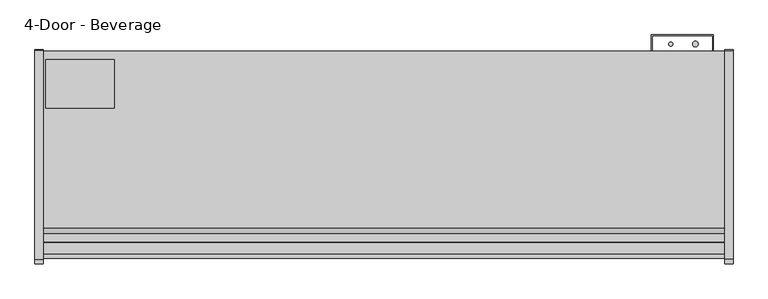
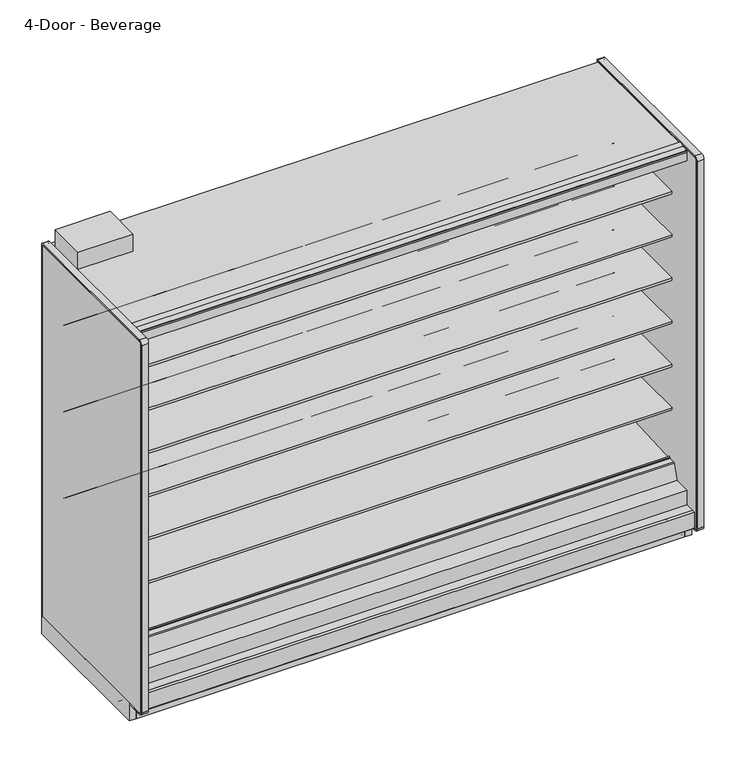
"""IFC4 building model written with IfcOpenShell, lengths in millimetres: proxy geometry, 4-Door - Beverage."""

from ifc_helpers import new_model, si_unit, point, frame, frame_2d, origin, origin_with_axes, place, context, project, spatial, polyline, circle_curve, trimmed, segment, composite_curve, outline, extrude, source, transform, mapped, element, save
from ifc_brep_helpers import plane_surface, cylinder_surface, revolved_surface, advanced_brep


def proxy_4_door_beverage_5c7ffe75(model_context):
    return source(origin(), model_context, "Body", "SolidModel", [
        extrude(outline(polyline([(3048.0, -1167.5349267), (3048.0, -1183.4099267), (0.0, -1183.4099267), (0.0, -1167.5349267), (3048.0, -1167.5349267)])), origin_with_axes(), (0.0, 0.0, 1.0), 105.16235),
        extrude(outline(polyline([(315.9000882, -386.7007273), (315.9000882, -605.1295388), (11.1115648, -605.1295388), (11.1115648, -386.7007273), (315.9000882, -386.7007273)])), frame((0.0, 0.0, 2282.825), z_axis=(0.0, 0.0, 1.0), x_axis=(1.0, 0.0, 0.0)), (0.0, 0.0, 1.0), 101.6),
        extrude(outline(composite_curve([segment(trimmed(circle_curve(frame_2d((2917.1930803, -317.2571273)), 12.7), [point((2904.4930803, -317.2571273))], [point((2929.8930803, -317.2571273))], False, "CARTESIAN"), True, "CONTINUOUS"), segment(trimmed(circle_curve(frame_2d((2917.1930803, -317.2571273)), 12.7), [point((2929.8930803, -317.2571273))], [point((2904.4930803, -317.2571273))], False, "CARTESIAN"), True, "CONTINUOUS")], self_intersect=False)), frame((0.0, 0.0, 1447.6965458), z_axis=(0.0, 0.0, 1.0), x_axis=(1.0, 0.0, 0.0)), (0.0, 0.0, 1.0), 508.0),
        extrude(outline(composite_curve([segment(trimmed(circle_curve(frame_2d((2807.2004524, -317.2571273)), 9.525), [point((2797.6754524, -317.2571273))], [point((2816.7254524, -317.2571273))], False, "CARTESIAN"), True, "CONTINUOUS"), segment(trimmed(circle_curve(frame_2d((2807.2004524, -317.2571273)), 9.525), [point((2816.7254524, -317.2571273))], [point((2797.6754524, -317.2571273))], False, "CARTESIAN"), True, "CONTINUOUS")], self_intersect=False)), frame((0.0, 0.0, 1447.6965458), z_axis=(0.0, 0.0, 1.0), x_axis=(1.0, 0.0, 0.0)), (0.0, 0.0, 1.0), 508.0),
        extrude(outline(composite_curve([segment(trimmed(circle_curve(frame_2d((2908.8004524, -526.8071273)), 9.525), [point((2899.2754524, -526.8071273))], [point((2918.3254524, -526.8071273))], False, "CARTESIAN"), True, "CONTINUOUS"), segment(trimmed(circle_curve(frame_2d((2908.8004524, -526.8071273)), 9.525), [point((2918.3254524, -526.8071273))], [point((2899.2754524, -526.8071273))], False, "CARTESIAN"), True, "CONTINUOUS")], self_intersect=False)), frame((0.0, 0.0, 57.8450688), z_axis=(0.0, 0.0, 1.0), x_axis=(1.0, 0.0, 0.0)), (0.0, 0.0, 1.0), 47.3172812),
        extrude(outline(composite_curve([segment(trimmed(circle_curve(frame_2d((2955.2930803, -526.8071273)), 12.7), [point((2942.5930803, -526.8071273))], [point((2967.9930803, -526.8071273))], False, "CARTESIAN"), True, "CONTINUOUS"), segment(trimmed(circle_curve(frame_2d((2955.2930803, -526.8071273)), 12.7), [point((2967.9930803, -526.8071273))], [point((2942.5930803, -526.8071273))], False, "CARTESIAN"), True, "CONTINUOUS")], self_intersect=False)), frame((0.0, 0.0, 57.8450688), z_axis=(0.0, 0.0, 1.0), x_axis=(1.0, 0.0, 0.0)), (0.0, 0.0, 1.0), 47.3172812),
        extrude(outline(composite_curve([segment(trimmed(circle_curve(frame_2d((1524.0, -945.9071273)), 38.1), [point((1485.9, -945.9071273))], [point((1562.1, -945.9071273))], False, "CARTESIAN"), True, "CONTINUOUS"), segment(trimmed(circle_curve(frame_2d((1524.0, -945.9071273)), 38.1), [point((1562.1, -945.9071273))], [point((1485.9, -945.9071273))], False, "CARTESIAN"), True, "CONTINUOUS")], self_intersect=False)), frame((0.0, 0.0, 57.8450688), z_axis=(0.0, 0.0, 1.0), x_axis=(1.0, 0.0, 0.0)), (0.0, 0.0, 1.0), 47.3172812),
        extrude(outline(polyline([(114.3, -411.7999572), (114.3, -462.5999572), (0.0, -462.5999572), (0.0, -411.7999572), (114.3, -411.7999572)])), frame((0.0, 0.0, 63.88735), z_axis=(0.0, 0.0, 1.0), x_axis=(1.0, 0.0, 0.0)), (0.0, 0.0, 1.0), 6.35),
        extrude(outline(polyline([(-349.0071273, 2231.5678), (-349.0071273, 105.16235), (-1256.6126273, 105.16235), (-1256.6126273, 201.2447768), (-1205.5205047, 201.2447768), (-1205.5205047, 169.3369447), (-1112.6665508, 150.0632248), (-401.0517273, 187.3573774), (-401.0517273, 2231.5678), (-349.0071273, 2231.5678)])), frame((0.0, 0.0, 0.0), z_axis=(1.0, 0.0, 0.0), x_axis=(0.0, 1.0, 0.0)), (0.0, 0.0, 1.0), 3048.0),
        advanced_brep(
        [(3048.0, -1018.871097, 105.16235), (3048.0, -1022.1071273, 101.9263197), (3048.0, -1022.1071273, 2.3876), (3048.0, -1019.7195273, 0.0), (3048.0, -982.0132273, 0.0), (3048.0, -982.0132273, 70.23735), (3048.0, -383.2457368, 70.23735), (3048.0, -383.2457368, 0.0), (3048.0, -351.3947273, 0.0), (3048.0, -349.0071273, 2.3876), (3048.0, -349.0071273, 100.830191), (3048.0, -353.3392863, 105.16235), (0.0, -1018.871097, 105.16235), (0.0, -353.3392863, 105.16235), (0.0, -349.0071273, 100.830191), (0.0, -349.0071273, 2.3876), (0.0, -351.3947273, 0.0), (0.0, -383.2457368, 0.0), (0.0, -383.2457368, 70.23735), (0.0, -982.0132273, 70.23735), (0.0, -982.0132273, 0.0), (0.0, -1019.7195273, 0.0), (0.0, -1022.1071273, 2.3876), (0.0, -1022.1071273, 101.9263197), (1574.8, -945.9071273, 105.16235), (1473.2, -945.9071273, 105.16235), (2984.5, -526.8071273, 105.16235), (2882.9, -526.8071273, 105.16235), (1488.2650095, -982.0132273, 70.23735), (1559.7349905, -982.0132273, 70.23735), (1574.8, -945.9071273, 70.23735), (1473.2, -945.9071273, 70.23735), (2882.9, -526.8071273, 70.23735), (2984.5, -526.8071273, 70.23735)],
        [
            (0, 1, circle_curve(frame((3048.0, -1018.871097, 101.9263197), z_axis=(1.0, 0.0, 0.0), x_axis=(0.0, 1.0, 0.0)), 3.2360303)),
            (1, 2),
            (2, 3, circle_curve(frame((3048.0, -1019.7195273, 2.3876), z_axis=(1.0, 0.0, 0.0), x_axis=(0.0, 1.0, 0.0)), 2.3876)),
            (3, 4),
            (4, 5),
            (5, 6),
            (6, 7),
            (7, 8),
            (8, 9, circle_curve(frame((3048.0, -351.3947273, 2.3876), z_axis=(1.0, 0.0, 0.0), x_axis=(0.0, 1.0, 0.0)), 2.3876)),
            (9, 10),
            (10, 11, circle_curve(frame((3048.0, -353.3392863, 100.830191), z_axis=(1.0, 0.0, 0.0), x_axis=(0.0, 1.0, 0.0)), 4.332159)),
            (11, 0),
            (12, 13),
            (13, 14, circle_curve(frame((0.0, -353.3392863, 100.830191), z_axis=(-1.0, 0.0, 0.0), x_axis=(0.0, 1.0, 0.0)), 4.332159)),
            (14, 15),
            (15, 16, circle_curve(frame((0.0, -351.3947273, 2.3876), z_axis=(-1.0, 0.0, 0.0), x_axis=(0.0, 1.0, 0.0)), 2.3876)),
            (16, 17),
            (17, 18),
            (18, 19),
            (19, 20),
            (20, 21),
            (21, 22, circle_curve(frame((0.0, -1019.7195273, 2.3876), z_axis=(-1.0, 0.0, 0.0), x_axis=(0.0, 1.0, 0.0)), 2.3876)),
            (22, 23),
            (23, 12, circle_curve(frame((0.0, -1018.871097, 101.9263197), z_axis=(-1.0, 0.0, 0.0), x_axis=(0.0, 1.0, 0.0)), 3.2360303)),
            (10, 14),
            (13, 11),
            (12, 0),
            (24, 25, circle_curve(frame((1524.0, -945.9071273, 105.16235), z_axis=(0.0, 0.0, -1.0), x_axis=(1.0, 0.0, 0.0)), 50.8)),
            (25, 24, circle_curve(frame((1524.0, -945.9071273, 105.16235), z_axis=(0.0, 0.0, -1.0), x_axis=(1.0, 0.0, 0.0)), 50.8)),
            (26, 27, circle_curve(frame((2933.7, -526.8071273, 105.16235), z_axis=(0.0, 0.0, -1.0), x_axis=(1.0, 0.0, 0.0)), 50.8)),
            (27, 26, circle_curve(frame((2933.7, -526.8071273, 105.16235), z_axis=(0.0, 0.0, -1.0), x_axis=(1.0, 0.0, 0.0)), 50.8)),
            (23, 1),
            (22, 2),
            (21, 3),
            (20, 4),
            (19, 28),
            (28, 29),
            (29, 5),
            (29, 30, circle_curve(frame((1524.0, -945.9071273, 70.23735), z_axis=(0.0, 0.0, 1.0), x_axis=(1.0, 0.0, 0.0)), 50.8)),
            (30, 31, circle_curve(frame((1524.0, -945.9071273, 70.23735), z_axis=(0.0, 0.0, 1.0), x_axis=(1.0, 0.0, 0.0)), 50.8)),
            (31, 28, circle_curve(frame((1524.0, -945.9071273, 70.23735), z_axis=(0.0, 0.0, 1.0), x_axis=(1.0, 0.0, 0.0)), 50.8)),
            (18, 6),
            (32, 33, circle_curve(frame((2933.7, -526.8071273, 70.23735), z_axis=(0.0, 0.0, 1.0), x_axis=(1.0, 0.0, 0.0)), 50.8)),
            (33, 32, circle_curve(frame((2933.7, -526.8071273, 70.23735), z_axis=(0.0, 0.0, 1.0), x_axis=(1.0, 0.0, 0.0)), 50.8)),
            (17, 7),
            (16, 8),
            (15, 9),
            (28, 29, circle_curve(frame((1524.0, -945.9071273, 70.23735), z_axis=(0.0, 0.0, 1.0), x_axis=(1.0, 0.0, 0.0)), 50.8)),
            (24, 30),
            (31, 25),
            (32, 27),
            (26, 33),
        ],
        [
            plane_surface(frame((3048.0, -1015.6350667, 101.9263197), z_axis=(1.0, 0.0, 0.0), x_axis=(0.0, 0.0, 1.0))),
            plane_surface(frame((0.0, -1015.6350667, 101.9263197), z_axis=(-1.0, 0.0, 0.0), x_axis=(0.0, 0.0, -1.0))),
            cylinder_surface(frame((0.0, -353.3392863, 100.830191), z_axis=(1.0, 0.0, 0.0), x_axis=(0.0, 1.0, 0.0)), 4.332159),
            plane_surface(frame((3048.0, -353.3392863, 105.16235), z_axis=(0.0, 0.0, 1.0), x_axis=(-1.0, 0.0, 0.0))),
            cylinder_surface(frame((0.0, -1018.871097, 101.9263197), z_axis=(1.0, 0.0, 0.0), x_axis=(0.0, 1.0, 0.0)), 3.2360303),
            plane_surface(frame((3048.0, -1022.1071273, 101.9263197), z_axis=(0.0, -1.0, 0.0), x_axis=(-1.0, 0.0, 0.0))),
            cylinder_surface(frame((0.0, -1019.7195273, 2.3876), z_axis=(1.0, 0.0, 0.0), x_axis=(0.0, 1.0, 0.0)), 2.3876),
            plane_surface(frame((3048.0, -1019.7195273, 0.0), z_axis=(0.0, 0.0, -1.0), x_axis=(-1.0, 0.0, 0.0))),
            plane_surface(frame((3048.0, -982.0132273, 0.0), z_axis=(0.0, 1.0, 0.0), x_axis=(-1.0, 0.0, 0.0))),
            plane_surface(frame((3048.0, -982.0132273, 70.23735), z_axis=(0.0, 0.0, -1.0), x_axis=(-1.0, 0.0, 0.0))),
            plane_surface(frame((3048.0, -383.2457368, 70.23735), z_axis=(0.0, -1.0, 0.0), x_axis=(-1.0, 0.0, 0.0))),
            plane_surface(frame((3048.0, -383.2457368, 0.0), z_axis=(0.0, 0.0, -1.0), x_axis=(-1.0, 0.0, 0.0))),
            cylinder_surface(frame((0.0, -351.3947273, 2.3876), z_axis=(1.0, 0.0, 0.0), x_axis=(0.0, 1.0, 0.0)), 2.3876),
            plane_surface(frame((1574.8, -945.9071273, 70.23735), z_axis=(0.0, 0.0, 1.0), x_axis=(0.0, -1.0, 0.0))),
            revolved_surface(polyline([(1574.8, -945.9071273, 105.16235), (1574.8, -945.9071273, 70.23735)]), (1524.0, -945.9071273, 70.23735), (0.0, 0.0, 1.0)),
            revolved_surface(polyline([(2984.5, -526.8071273, 105.16235), (2984.5, -526.8071273, 70.23735)]), (2933.7, -526.8071273, 0.0), (0.0, 0.0, 1.0)),
            plane_surface(frame((3048.0, -349.0071273, 2.3876), z_axis=(0.0, 1.0, 0.0), x_axis=(-1.0, 0.0, 0.0))),
        ],
        [
            (0, [[1, 2, 3, 4, 5, 6, 7, 8, 9, 10, 11, 12]]),
            (1, [[13, 14, 15, 16, 17, 18, 19, 20, 21, 22, 23, 24]]),
            (2, [[-11, 25, -14, 26]]),
            (3, [[-12, -26, -13, 27], [28, 29], [30, 31]]),
            (4, [[-1, -27, -24, 32]]),
            (5, [[-2, -32, -23, 33]]),
            (6, [[-3, -33, -22, 34]]),
            (7, [[-4, -34, -21, 35]]),
            (8, [[-5, -35, -20, 36, 37, 38]]),
            (9, [[-6, -38, 39, 40, 41, -36, -19, 42], [43, 44]]),
            (10, [[-7, -42, -18, 45]]),
            (11, [[-8, -45, -17, 46]]),
            (12, [[-9, -46, -16, 47]]),
            (13, [[48, -37]]),
            (14, [[49, -39, -48, -41, 50, -28]]),
            (14, [[-49, -29, -50, -40]]),
            (15, [[51, -30, 52, -43]]),
            (15, [[-51, -44, -52, -31]]),
            (16, [[-10, -47, -15, -25]]),
        ],
    ),
        extrude(outline(polyline([(2720.975, -349.0071273), (2720.975, -275.9821273), (2997.2, -275.9821273), (2997.2, -349.0071273), (2994.025, -349.0071273), (2994.025, -279.1571273), (2724.15, -279.1571273), (2724.15, -349.0071273), (2720.975, -349.0071273)])), frame((0.0, 0.0, 304.927), z_axis=(0.0, 0.0, 1.0), x_axis=(1.0, 0.0, 0.0)), (0.0, 0.0, 1.0), 1523.3666145),
        extrude(outline(composite_curve([segment(polyline([(-452.3089273, 610.906076), (-470.5727913, 610.5955195)]), True, "CONTINUOUS"), segment(trimmed(circle_curve(frame_2d((-471.0046274, 635.9918483)), 25.4), [point((-470.5727913, 610.5955195))], [point((-486.9819836, 616.2463656))], False, "CARTESIAN"), True, "CONTINUOUS"), segment(polyline([(-486.9819836, 616.2463656), (-504.8340447, 630.6916311)]), True, "CONTINUOUS"), segment(trimmed(circle_curve(frame_2d((-544.7774354, 581.3279244)), 63.5), [point((-504.8340447, 630.6916311))], [point((-536.8795542, 644.3348563))], True, "CARTESIAN"), True, "CONTINUOUS"), segment(polyline([(-536.8795542, 644.3348563), (-751.3282218, 668.0319937), (-752.8169983, 671.4725458), (-1061.9089273, 671.4725458), (-1061.9089273, 685.6965458), (-452.3089273, 685.6965458), (-452.3089273, 610.906076)]), True, "CONTINUOUS")], self_intersect=False)), frame((0.0, 0.0, 0.0), z_axis=(1.0, 0.0, 0.0), x_axis=(0.0, 1.0, 0.0)), (0.0, 0.0, 1.0), 3048.0),
        extrude(outline(composite_curve([segment(polyline([(-452.3089273, 864.906076), (-470.5727913, 864.5955195)]), True, "CONTINUOUS"), segment(trimmed(circle_curve(frame_2d((-471.0046274, 889.9918483)), 25.4), [point((-470.5727913, 864.5955195))], [point((-486.9819836, 870.2463656))], False, "CARTESIAN"), True, "CONTINUOUS"), segment(polyline([(-486.9819836, 870.2463656), (-504.8340447, 884.6916311)]), True, "CONTINUOUS"), segment(trimmed(circle_curve(frame_2d((-544.7774354, 835.3279244)), 63.5), [point((-504.8340447, 884.6916311))], [point((-536.8795542, 898.3348563))], True, "CARTESIAN"), True, "CONTINUOUS"), segment(polyline([(-536.8795542, 898.3348563), (-751.3282218, 922.0319937), (-752.8169983, 925.4725458), (-1061.9089273, 925.4725458), (-1061.9089273, 939.6965458), (-452.3089273, 939.6965458), (-452.3089273, 864.906076)]), True, "CONTINUOUS")], self_intersect=False)), frame((0.0, 0.0, 0.0), z_axis=(1.0, 0.0, 0.0), x_axis=(0.0, 1.0, 0.0)), (0.0, 0.0, 1.0), 3048.0),
        extrude(outline(composite_curve([segment(polyline([(-452.3089273, 1118.906076), (-470.5727913, 1118.5955195)]), True, "CONTINUOUS"), segment(trimmed(circle_curve(frame_2d((-471.0046274, 1143.9918483)), 25.4), [point((-470.5727913, 1118.5955195))], [point((-486.9819836, 1124.2463656))], False, "CARTESIAN"), True, "CONTINUOUS"), segment(polyline([(-486.9819836, 1124.2463656), (-504.8340447, 1138.6916311)]), True, "CONTINUOUS"), segment(trimmed(circle_curve(frame_2d((-544.7774354, 1089.3279244)), 63.5), [point((-504.8340447, 1138.6916311))], [point((-536.8795542, 1152.3348563))], True, "CARTESIAN"), True, "CONTINUOUS"), segment(polyline([(-536.8795542, 1152.3348563), (-751.3282218, 1176.0319937), (-752.8169983, 1179.4725458), (-1061.9089273, 1179.4725458), (-1061.9089273, 1193.6965458), (-452.3089273, 1193.6965458), (-452.3089273, 1118.906076)]), True, "CONTINUOUS")], self_intersect=False)), frame((0.0, 0.0, 0.0), z_axis=(1.0, 0.0, 0.0), x_axis=(0.0, 1.0, 0.0)), (0.0, 0.0, 1.0), 3048.0),
        extrude(outline(composite_curve([segment(polyline([(-452.3089273, 1372.906076), (-470.5727913, 1372.5955195)]), True, "CONTINUOUS"), segment(trimmed(circle_curve(frame_2d((-471.0046274, 1397.9918483)), 25.4), [point((-470.5727913, 1372.5955195))], [point((-486.9819836, 1378.2463656))], False, "CARTESIAN"), True, "CONTINUOUS"), segment(polyline([(-486.9819836, 1378.2463656), (-504.8340447, 1392.6916311)]), True, "CONTINUOUS"), segment(trimmed(circle_curve(frame_2d((-544.7774354, 1343.3279244)), 63.5), [point((-504.8340447, 1392.6916311))], [point((-536.8795542, 1406.3348563))], True, "CARTESIAN"), True, "CONTINUOUS"), segment(polyline([(-536.8795542, 1406.3348563), (-751.3282218, 1430.0319937), (-752.8169983, 1433.4725458), (-1061.9089273, 1433.4725458), (-1061.9089273, 1447.6965458), (-452.3089273, 1447.6965458), (-452.3089273, 1372.906076)]), True, "CONTINUOUS")], self_intersect=False)), frame((0.0, 0.0, 0.0), z_axis=(1.0, 0.0, 0.0), x_axis=(0.0, 1.0, 0.0)), (0.0, 0.0, 1.0), 3048.0),
        extrude(outline(composite_curve([segment(polyline([(-452.3089273, 1626.906076), (-470.5727913, 1626.5955195)]), True, "CONTINUOUS"), segment(trimmed(circle_curve(frame_2d((-471.0046274, 1651.9918483)), 25.4), [point((-470.5727913, 1626.5955195))], [point((-486.9819836, 1632.2463656))], False, "CARTESIAN"), True, "CONTINUOUS"), segment(polyline([(-486.9819836, 1632.2463656), (-504.8340447, 1646.6916311)]), True, "CONTINUOUS"), segment(trimmed(circle_curve(frame_2d((-544.7774354, 1597.3279244)), 63.5), [point((-504.8340447, 1646.6916311))], [point((-536.8795542, 1660.3348563))], True, "CARTESIAN"), True, "CONTINUOUS"), segment(polyline([(-536.8795542, 1660.3348563), (-751.3282218, 1684.0319937), (-752.8169983, 1687.4725458), (-1061.9089273, 1687.4725458), (-1061.9089273, 1701.6965458), (-452.3089273, 1701.6965458), (-452.3089273, 1626.906076)]), True, "CONTINUOUS")], self_intersect=False)), frame((0.0, 0.0, 0.0), z_axis=(1.0, 0.0, 0.0), x_axis=(0.0, 1.0, 0.0)), (0.0, 0.0, 1.0), 3048.0),
        extrude(outline(composite_curve([segment(polyline([(-452.3089273, 1880.906076), (-470.5727913, 1880.5955195)]), True, "CONTINUOUS"), segment(trimmed(circle_curve(frame_2d((-471.0046274, 1905.9918483)), 25.4), [point((-470.5727913, 1880.5955195))], [point((-486.9819836, 1886.2463656))], False, "CARTESIAN"), True, "CONTINUOUS"), segment(polyline([(-486.9819836, 1886.2463656), (-504.8340447, 1900.6916311)]), True, "CONTINUOUS"), segment(trimmed(circle_curve(frame_2d((-544.7774354, 1851.3279244)), 63.5), [point((-504.8340447, 1900.6916311))], [point((-536.8795542, 1914.3348563))], True, "CARTESIAN"), True, "CONTINUOUS"), segment(polyline([(-536.8795542, 1914.3348563), (-751.3282218, 1938.0319937), (-752.8169983, 1941.4725458), (-1061.9089273, 1941.4725458), (-1061.9089273, 1955.6965458), (-452.3089273, 1955.6965458), (-452.3089273, 1880.906076)]), True, "CONTINUOUS")], self_intersect=False)), frame((0.0, 0.0, 0.0), z_axis=(1.0, 0.0, 0.0), x_axis=(0.0, 1.0, 0.0)), (0.0, 0.0, 1.0), 3048.0),
        advanced_brep(
        [(3048.0, -562.1054156, 392.489408), (3048.0, -565.4345004, 395.3833373), (3048.0, -1028.1778581, 371.1319845), (3048.0, -1031.8816746, 374.3516629), (3048.0, -1032.3723429, 379.9600263), (3048.0, -1039.3602618, 380.0840123), (3048.0, -1037.6796074, 360.8740328), (3048.0, -1031.0214377, 355.0861739), (3048.0, -564.4043684, 379.5405382), (3048.0, -561.4040704, 382.9438378), (0.0, -562.1054156, 392.489408), (0.0, -561.4040704, 382.9438378), (0.0, -564.4043684, 379.5405382), (0.0, -1031.0214377, 355.0861739), (0.0, -1037.6796074, 360.8740328), (0.0, -1039.3602618, 380.0840123), (0.0, -1032.4336802, 379.95466), (0.0, -1031.8816746, 374.3516629), (0.0, -1028.1778581, 371.1319845), (0.0, -565.4345004, 395.3833373)],
        [
            (0, 1, circle_curve(frame((3048.0, -565.2683338, 392.2126885), z_axis=(1.0, 0.0, 0.0), x_axis=(0.0, 1.0, 0.0)), 3.175)),
            (1, 2),
            (2, 3, circle_curve(frame((3048.0, -1028.362729, 374.6595308), z_axis=(-1.0, 0.0, 0.0), x_axis=(0.0, 1.0, 0.0)), 3.5323874)),
            (3, 4),
            (4, 5, circle_curve(frame((3048.0, -1035.9038485, 379.6510595), z_axis=(1.0, 0.0, 0.0), x_axis=(0.0, 1.0, 0.0)), 3.4834238)),
            (5, 6),
            (6, 7, circle_curve(frame((3048.0, -1031.353771, 361.4274714), z_axis=(1.0, 0.0, 0.0), x_axis=(0.0, 1.0, 0.0)), 6.35)),
            (7, 8),
            (8, 9, circle_curve(frame((3048.0, -564.5705351, 382.711187), z_axis=(1.0, 0.0, 0.0), x_axis=(0.0, 1.0, 0.0)), 3.175)),
            (9, 0),
            (10, 11),
            (11, 12, circle_curve(frame((0.0, -564.5705351, 382.711187), z_axis=(-1.0, 0.0, 0.0), x_axis=(0.0, 1.0, 0.0)), 3.175)),
            (12, 13),
            (13, 14, circle_curve(frame((0.0, -1031.353771, 361.4274714), z_axis=(-1.0, 0.0, 0.0), x_axis=(0.0, 1.0, 0.0)), 6.35)),
            (14, 15),
            (15, 16, circle_curve(frame((0.0, -1035.9038485, 379.6510595), z_axis=(-1.0, 0.0, 0.0), x_axis=(0.0, 1.0, 0.0)), 3.4834238)),
            (16, 17),
            (17, 18, circle_curve(frame((0.0, -1028.362729, 374.6595308), z_axis=(1.0, 0.0, 0.0), x_axis=(0.0, 1.0, 0.0)), 3.5323874)),
            (18, 19),
            (19, 10, circle_curve(frame((0.0, -565.2683338, 392.2126885), z_axis=(-1.0, 0.0, 0.0), x_axis=(0.0, 1.0, 0.0)), 3.175)),
            (0, 10),
            (19, 1),
            (18, 2),
            (17, 3),
            (16, 4),
            (15, 5),
            (14, 6),
            (13, 7),
            (12, 8),
            (11, 9),
        ],
        [
            plane_surface(frame((3048.0, -562.0933338, 392.2126885), z_axis=(1.0, 0.0, 0.0), x_axis=(0.0, 0.0, 1.0))),
            plane_surface(frame((0.0, -562.0933338, 392.2126885), z_axis=(-1.0, 0.0, 0.0), x_axis=(0.0, 0.0, -1.0))),
            cylinder_surface(frame((0.0, -565.2683338, 392.2126885), z_axis=(1.0, 0.0, 0.0), x_axis=(0.0, 1.0, 0.0)), 3.175),
            plane_surface(frame((3048.0, -565.4345004, 395.3833373), z_axis=(0.0, -0.05233595857633936, 0.9986295346322859), x_axis=(-1.0, 0.0, 0.0))),
            revolved_surface(polyline([(0.0, -1024.8303415999999, 374.6595308), (3048.0, -1024.8303415999999, 374.6595308)]), (0.0, -1028.362729, 374.6595308), (-1.0, 0.0, 0.0)),
            plane_surface(frame((3048.0, -1031.8816746, 374.3516629), z_axis=(0.0, 0.9961946955698885, 0.08715577157261226), x_axis=(-1.0, 0.0, 0.0))),
            cylinder_surface(frame((0.0, -1035.9038485, 379.6510595), z_axis=(1.0, 0.0, 0.0), x_axis=(0.0, 1.0, 0.0)), 3.4834238),
            plane_surface(frame((3048.0, -1039.3602618, 380.0840123), z_axis=(0.0, -0.9961947025639891, -0.08715569162966595), x_axis=(-1.0, 0.0, 0.0))),
            cylinder_surface(frame((0.0, -1031.353771, 361.4274714), z_axis=(1.0, 0.0, 0.0), x_axis=(0.0, 1.0, 0.0)), 6.35),
            plane_surface(frame((3048.0, -1031.0214377, 355.0861739), z_axis=(0.0, 0.05233595624300962, -0.9986295347545704), x_axis=(-1.0, 0.0, 0.0))),
            cylinder_surface(frame((0.0, -564.5705351, 382.711187), z_axis=(1.0, 0.0, 0.0), x_axis=(0.0, 1.0, 0.0)), 3.175),
            plane_surface(frame((3048.0, -561.4040704, 382.9438378), z_axis=(0.0, 0.9973117114183065, 0.07327585050948633), x_axis=(-1.0, 0.0, 0.0))),
        ],
        [
            (0, [[1, 2, 3, 4, 5, 6, 7, 8, 9, 10]]),
            (1, [[11, 12, 13, 14, 15, 16, 17, 18, 19, 20]]),
            (2, [[-1, 21, -20, 22]]),
            (3, [[-2, -22, -19, 23]]),
            (4, [[-3, -23, -18, 24]]),
            (5, [[-4, -24, -17, 25]]),
            (6, [[-5, -25, -16, 26]]),
            (7, [[-6, -26, -15, 27]]),
            (8, [[-7, -27, -14, 28]]),
            (9, [[-8, -28, -13, 29]]),
            (10, [[-9, -29, -12, 30]]),
            (11, [[-10, -30, -11, -21]]),
        ],
    ),
        extrude(outline(composite_curve([segment(polyline([(-452.3089273, 2205.7106), (-1055.5314174, 2205.7106), (-1076.6649541, 2210.5896614), (-1079.1443307, 2198.9251118)]), True, "CONTINUOUS"), segment(trimmed(circle_curve(frame_2d((-1080.6350276, 2199.2419692)), 1.524), [point((-1079.1443307, 2198.9251118))], [point((-1080.9518851, 2197.7512722))], False, "CARTESIAN"), True, "CONTINUOUS"), segment(polyline([(-1080.9518851, 2197.7512722), (-1146.9989273, 2211.7900045), (-1146.9989273, 2210.4040825)]), True, "CONTINUOUS"), segment(trimmed(circle_curve(frame_2d((-1149.3773588, 2210.6131219)), 2.3876), [point((-1146.9989273, 2210.4040825))], [point((-1149.3773097, 2208.2255219))], False, "CARTESIAN"), True, "CONTINUOUS"), segment(polyline([(-1149.3773097, 2208.2255219), (-1160.0080838, 2208.2253035), (-1160.0080838, 2223.5012119), (-1205.5205273, 2223.5012119), (-1205.5205273, 2282.0376)]), True, "CONTINUOUS"), segment(trimmed(circle_curve(frame_2d((-1204.7331273, 2282.0376)), 0.7874), [point((-1205.5205273, 2282.0376))], [point((-1204.7331273, 2282.825))], False, "CARTESIAN"), True, "CONTINUOUS"), segment(polyline([(-1204.7331273, 2282.825), (-349.0071273, 2282.825), (-349.0071273, 2231.5678), (-452.3089273, 2231.5678), (-452.3089273, 2205.7106)]), True, "CONTINUOUS")], self_intersect=False)), frame((0.0, 0.0, 0.0), z_axis=(1.0, 0.0, 0.0), x_axis=(0.0, 1.0, 0.0)), (0.0, 0.0, 1.0), 3048.0),
        extrude(outline(composite_curve([segment(polyline([(-1263.5976273, 105.16235), (-1274.6466273, 105.16235)]), True, "CONTINUOUS"), segment(trimmed(circle_curve(frame_2d((-1274.6466273, 106.81335)), 1.651), [point((-1274.6466273, 105.16235))], [point((-1276.2976273, 106.81335))], False, "CARTESIAN"), True, "CONTINUOUS"), segment(polyline([(-1276.2976273, 106.81335), (-1276.2976273, 201.2447768), (-1256.6126273, 201.2447768), (-1256.6126273, 106.62285), (-1263.5976273, 106.62285), (-1263.5976273, 105.16235)]), True, "CONTINUOUS")], self_intersect=False)), frame((0.0, 0.0, 0.0), z_axis=(1.0, 0.0, 0.0), x_axis=(0.0, 1.0, 0.0)), (0.0, 0.0, 1.0), 3048.0),
        extrude(outline(composite_curve([segment(polyline([(-1205.5205047, 288.3361558), (-1111.5273572, 288.3361558), (-1083.6940162, 372.3488205)]), True, "CONTINUOUS"), segment(trimmed(circle_curve(frame_2d((-1077.6662092, 370.3518119)), 6.35), [point((-1083.6940162, 372.3488205))], [point((-1077.6662092, 376.7018119))], False, "CARTESIAN"), True, "CONTINUOUS"), segment(polyline([(-1077.6662092, 376.7018119), (-1043.9140632, 376.7018119)]), True, "CONTINUOUS"), segment(trimmed(circle_curve(frame_2d((-1043.9140632, 372.471676)), 4.2301359), [point((-1043.9140632, 376.7018119))], [point((-1039.6839273, 372.471676))], False, "CARTESIAN"), True, "CONTINUOUS"), segment(polyline([(-1039.6839273, 372.471676), (-1039.6839273, 354.632192), (-560.553361, 379.742361), (-560.9721481, 391.7348557)]), True, "CONTINUOUS"), segment(trimmed(circle_curve(frame_2d((-556.4536725, 391.8926443)), 4.5212298), [point((-560.9721481, 391.7348557))], [point((-556.6114611, 396.41112))], False, "CARTESIAN"), True, "CONTINUOUS"), segment(polyline([(-556.6114611, 396.41112), (-470.3276537, 399.4242169)]), True, "CONTINUOUS"), segment(trimmed(circle_curve(frame_2d((-470.3772309, 400.8439205)), 1.420569), [point((-470.3276537, 399.4242169))], [point((-468.9575273, 400.8934976))], True, "CARTESIAN"), True, "CONTINUOUS"), segment(polyline([(-468.9575273, 400.8934976), (-469.2184151, 408.3643476)]), True, "CONTINUOUS"), segment(trimmed(circle_curve(frame_2d((-467.1682375, 408.4359413)), 2.0514273), [point((-469.2184151, 408.3643476))], [point((-467.2398313, 410.486119))], False, "CARTESIAN"), True, "CONTINUOUS"), segment(polyline([(-467.2398313, 410.486119), (-452.3089273, 411.0075176), (-452.3089273, 263.5334166), (-401.0517273, 263.5334166), (-401.0517273, 187.3573774), (-1112.6665508, 150.0632248), (-1205.5205047, 169.3369447), (-1205.5205047, 288.3361558)]), True, "CONTINUOUS")], self_intersect=False)), frame((0.0, 0.0, 0.0), z_axis=(1.0, 0.0, 0.0), x_axis=(0.0, 1.0, 0.0)), (0.0, 0.0, 1.0), 3048.0),
        extrude(outline(polyline([(3048.0, -401.0517273), (3048.0, -452.3089273), (0.0, -452.3089273), (0.0, -401.0517273), (3048.0, -401.0517273)])), frame((0.0, 0.0, 263.5334166), z_axis=(0.0, 0.0, 1.0), x_axis=(1.0, 0.0, 0.0)), (0.0, 0.0, 1.0), 1968.0343834),
        extrude(outline(composite_curve([segment(polyline([(-996.7011791, 30.0863), (-1022.1071273, 30.150134), (-1022.1071273, 1.512412), (-1162.480805, 1.5240398)]), True, "CONTINUOUS"), segment(trimmed(circle_curve(frame_2d((-1162.4803863, 6.5785802)), 5.0545404), [point((-1162.480805, 1.5240398))], [point((-1167.5349267, 6.5785802))], False, "CARTESIAN"), True, "CONTINUOUS"), segment(polyline([(-1167.5349267, 6.5785802), (-1167.5349267, 105.16235), (-996.7011791, 105.16235), (-996.7011791, 30.0863)]), True, "CONTINUOUS")], self_intersect=False)), frame((0.0, 0.0, 0.0), z_axis=(1.0, 0.0, 0.0), x_axis=(0.0, 1.0, 0.0)), (0.0, 0.0, 1.0), 3048.0),
        extrude(outline(composite_curve([segment(polyline([(-981.2258273, 0.0), (-1016.1381273, 0.0)]), True, "CONTINUOUS"), segment(trimmed(circle_curve(frame_2d((-1016.1381273, 5.1562)), 5.1562), [point((-1016.1381273, 0.0))], [point((-1021.2943273, 5.1562))], False, "CARTESIAN"), True, "CONTINUOUS"), segment(polyline([(-1021.2943273, 5.1562), (-1021.2943273, 24.892), (-1018.5257273, 24.892), (-1018.5257273, 5.1562)]), True, "CONTINUOUS"), segment(trimmed(circle_curve(frame_2d((-1016.1381273, 5.1562)), 2.3876), [point((-1018.5257273, 5.1562))], [point((-1016.1381273, 2.7686))], True, "CARTESIAN"), True, "CONTINUOUS"), segment(polyline([(-1016.1381273, 2.7686), (-981.2258273, 2.7686)]), True, "CONTINUOUS"), segment(trimmed(circle_curve(frame_2d((-981.2258273, 5.1562)), 2.3876), [point((-981.2258273, 2.7686))], [point((-978.8382273, 5.1562))], True, "CARTESIAN"), True, "CONTINUOUS"), segment(polyline([(-978.8382273, 5.1562), (-978.8382273, 20.5359)]), True, "CONTINUOUS"), segment(trimmed(circle_curve(frame_2d((-973.6820273, 20.5359)), 5.1562), [point((-978.8382273, 20.5359))], [point((-973.6820273, 25.6921))], False, "CARTESIAN"), True, "CONTINUOUS"), segment(polyline([(-973.6820273, 25.6921), (-962.4552273, 25.6921)]), True, "CONTINUOUS"), segment(trimmed(circle_curve(frame_2d((-962.4552273, 20.5359)), 5.1562), [point((-962.4552273, 25.6921))], [point((-957.2990273, 20.5359))], False, "CARTESIAN"), True, "CONTINUOUS"), segment(polyline([(-957.2990273, 20.5359), (-957.2990273, 5.1054), (-960.0676273, 5.1054), (-960.0676273, 20.5359)]), True, "CONTINUOUS"), segment(trimmed(circle_curve(frame_2d((-962.4552273, 20.5359)), 2.3876), [point((-960.0676273, 20.5359))], [point((-962.4552273, 22.9235))], True, "CARTESIAN"), True, "CONTINUOUS"), segment(polyline([(-962.4552273, 22.9235), (-973.6820273, 22.9235)]), True, "CONTINUOUS"), segment(trimmed(circle_curve(frame_2d((-973.6820273, 20.5359)), 2.3876), [point((-973.6820273, 22.9235))], [point((-976.0696273, 20.5359))], True, "CARTESIAN"), True, "CONTINUOUS"), segment(polyline([(-976.0696273, 20.5359), (-976.0696273, 5.1562)]), True, "CONTINUOUS"), segment(trimmed(circle_curve(frame_2d((-981.2258273, 5.1562)), 5.1562), [point((-976.0696273, 5.1562))], [point((-981.2258273, 0.0))], False, "CARTESIAN"), True, "CONTINUOUS")], self_intersect=False)), frame((0.0, 0.0, 0.0), z_axis=(1.0, 0.0, 0.0), x_axis=(0.0, 1.0, 0.0)), (0.0, 0.0, 1.0), 3048.0),
        extrude(outline(composite_curve([segment(trimmed(circle_curve(frame_2d((-389.0756273, 5.1562)), 5.1562), [point((-389.0756273, 0.0))], [point((-394.2318273, 5.1562))], False, "CARTESIAN"), True, "CONTINUOUS"), segment(polyline([(-394.2318273, 5.1562), (-394.2318273, 20.5359)]), True, "CONTINUOUS"), segment(trimmed(circle_curve(frame_2d((-396.6194273, 20.5359)), 2.3876), [point((-394.2318273, 20.5359))], [point((-396.6194273, 22.9235))], True, "CARTESIAN"), True, "CONTINUOUS"), segment(polyline([(-396.6194273, 22.9235), (-407.8462273, 22.9235)]), True, "CONTINUOUS"), segment(trimmed(circle_curve(frame_2d((-407.8462273, 20.5359)), 2.3876), [point((-407.8462273, 22.9235))], [point((-410.2338273, 20.5359))], True, "CARTESIAN"), True, "CONTINUOUS"), segment(polyline([(-410.2338273, 20.5359), (-410.2338273, 5.1054), (-413.0024273, 5.1054), (-413.0024273, 20.5359)]), True, "CONTINUOUS"), segment(trimmed(circle_curve(frame_2d((-407.8462273, 20.5359)), 5.1562), [point((-413.0024273, 20.5359))], [point((-407.8462273, 25.6921))], False, "CARTESIAN"), True, "CONTINUOUS"), segment(polyline([(-407.8462273, 25.6921), (-396.6194273, 25.6921)]), True, "CONTINUOUS"), segment(trimmed(circle_curve(frame_2d((-396.6194273, 20.5359)), 5.1562), [point((-396.6194273, 25.6921))], [point((-391.4632273, 20.5359))], False, "CARTESIAN"), True, "CONTINUOUS"), segment(polyline([(-391.4632273, 20.5359), (-391.4632273, 5.1562)]), True, "CONTINUOUS"), segment(trimmed(circle_curve(frame_2d((-389.0756273, 5.1562)), 2.3876), [point((-391.4632273, 5.1562))], [point((-389.0756273, 2.7686))], True, "CARTESIAN"), True, "CONTINUOUS"), segment(polyline([(-389.0756273, 2.7686), (-354.1633273, 2.7686)]), True, "CONTINUOUS"), segment(trimmed(circle_curve(frame_2d((-354.1633273, 5.1562)), 2.3876), [point((-354.1633273, 2.7686))], [point((-351.7757273, 5.1562))], True, "CARTESIAN"), True, "CONTINUOUS"), segment(polyline([(-351.7757273, 5.1562), (-351.7757273, 24.892), (-349.0071273, 24.892), (-349.0071273, 5.1562)]), True, "CONTINUOUS"), segment(trimmed(circle_curve(frame_2d((-354.1633273, 5.1562)), 5.1562), [point((-349.0071273, 5.1562))], [point((-354.1633273, 0.0))], False, "CARTESIAN"), True, "CONTINUOUS"), segment(polyline([(-354.1633273, 0.0), (-389.0756273, 0.0)]), True, "CONTINUOUS")], self_intersect=False)), frame((0.0, 0.0, 0.0), z_axis=(1.0, 0.0, 0.0), x_axis=(0.0, 1.0, 0.0)), (0.0, 0.0, 1.0), 3048.0),
        extrude(outline(composite_curve([segment(polyline([(-1144.001082, 2296.5368641), (-1143.416882, 2295.525), (-1164.9600823, 2283.0870275)]), True, "CONTINUOUS"), segment(trimmed(circle_curve(frame_2d((-1165.9379823, 2284.7808)), 1.9558), [point((-1164.9600823, 2283.0870275))], [point((-1165.9379823, 2282.825))], False, "CARTESIAN"), True, "CONTINUOUS"), segment(polyline([(-1165.9379823, 2282.825), (-1204.7331273, 2282.825)]), True, "CONTINUOUS"), segment(trimmed(circle_curve(frame_2d((-1204.7331273, 2282.0376)), 0.7874), [point((-1204.7331273, 2282.825))], [point((-1205.5205273, 2282.0376))], True, "CARTESIAN"), True, "CONTINUOUS"), segment(polyline([(-1205.5205273, 2282.0376), (-1205.5205273, 2273.7945109), (-1206.6889273, 2273.7945109), (-1206.6889273, 2282.0376)]), True, "CONTINUOUS"), segment(trimmed(circle_curve(frame_2d((-1204.7331273, 2282.0376)), 1.9558), [point((-1206.6889273, 2282.0376))], [point((-1204.7331273, 2283.9934))], False, "CARTESIAN"), True, "CONTINUOUS"), segment(polyline([(-1204.7331273, 2283.9934), (-1166.4578095, 2283.9934)]), True, "CONTINUOUS"), segment(trimmed(circle_curve(frame_2d((-1166.4578095, 2286.7208214)), 2.7274214), [point((-1166.4578095, 2283.9934))], [point((-1165.0940988, 2284.3588052))], True, "CARTESIAN"), True, "CONTINUOUS"), segment(polyline([(-1165.0940988, 2284.3588052), (-1144.001082, 2296.5368641)]), True, "CONTINUOUS")], self_intersect=False)), frame((0.0, 0.0, 0.0), z_axis=(1.0, 0.0, 0.0), x_axis=(0.0, 1.0, 0.0)), (0.0, 0.0, 1.0), 3048.0),
        extrude(outline(polyline([(3086.1, -341.3672835), (3086.1, -1183.4099267), (3048.0, -1183.4099267), (3048.0, -341.3672835), (3086.1, -341.3672835)])), origin_with_axes(), (0.0, 0.0, 1.0), 105.16235),
        extrude(outline(composite_curve([segment(trimmed(circle_curve(frame_2d((-1282.3671768, 117.86235)), 12.7), [point((-1295.0671768, 117.86235))], [point((-1282.3671768, 105.16235))], True, "CARTESIAN"), True, "CONTINUOUS"), segment(polyline([(-1282.3671768, 105.16235), (-1183.4099267, 105.16235), (-1183.4099267, 97.5225063), (-1282.3671768, 97.5225063)]), True, "CONTINUOUS"), segment(trimmed(circle_curve(frame_2d((-1282.3671768, 117.86235)), 20.3398438), [point((-1282.3671768, 97.5225063))], [point((-1302.7070205, 117.86235))], False, "CARTESIAN"), True, "CONTINUOUS"), segment(polyline([(-1302.7070205, 117.86235), (-1302.7070205, 2276.475)]), True, "CONTINUOUS"), segment(trimmed(circle_curve(frame_2d((-1282.3671768, 2276.475)), 20.3398437), [point((-1302.7070205, 2276.475))], [point((-1282.3671768, 2296.8148438))], False, "CARTESIAN"), True, "CONTINUOUS"), segment(polyline([(-1282.3671768, 2296.8148438), (-347.7172835, 2296.8148438)]), True, "CONTINUOUS"), segment(trimmed(circle_curve(frame_2d((-347.7172835, 2290.4648438)), 6.35), [point((-347.7172835, 2296.8148438))], [point((-341.3672835, 2290.4648438))], False, "CARTESIAN"), True, "CONTINUOUS"), segment(polyline([(-341.3672835, 2290.4648438), (-341.3672835, 105.16235), (-349.0071273, 105.16235), (-349.0071273, 2282.825)]), True, "CONTINUOUS"), segment(trimmed(circle_curve(frame_2d((-355.3571273, 2282.825)), 6.35), [point((-349.0071273, 2282.825))], [point((-355.3571273, 2289.175))], True, "CARTESIAN"), True, "CONTINUOUS"), segment(polyline([(-355.3571273, 2289.175), (-1282.3671768, 2289.175)]), True, "CONTINUOUS"), segment(trimmed(circle_curve(frame_2d((-1282.3671768, 2276.475)), 12.7), [point((-1282.3671768, 2289.175))], [point((-1295.0671768, 2276.475))], True, "CARTESIAN"), True, "CONTINUOUS"), segment(polyline([(-1295.0671768, 2276.475), (-1295.0671768, 117.86235)]), True, "CONTINUOUS")], self_intersect=False)), frame((3048.0, 0.0, 0.0), z_axis=(1.0, 0.0, 0.0), x_axis=(0.0, 1.0, 0.0)), (0.0, 0.0, 1.0), 38.1),
        extrude(outline(composite_curve([segment(polyline([(-1282.3671768, 2289.175), (-355.3571273, 2289.175)]), True, "CONTINUOUS"), segment(trimmed(circle_curve(frame_2d((-355.3571273, 2282.825)), 6.35), [point((-355.3571273, 2289.175))], [point((-349.0071273, 2282.825))], False, "CARTESIAN"), True, "CONTINUOUS"), segment(polyline([(-349.0071273, 2282.825), (-349.0071273, 105.16235), (-1282.3671768, 105.16235)]), True, "CONTINUOUS"), segment(trimmed(circle_curve(frame_2d((-1282.3671768, 117.86235)), 12.7), [point((-1282.3671768, 105.16235))], [point((-1295.0671768, 117.86235))], False, "CARTESIAN"), True, "CONTINUOUS"), segment(polyline([(-1295.0671768, 117.86235), (-1295.0671768, 2276.475)]), True, "CONTINUOUS"), segment(trimmed(circle_curve(frame_2d((-1282.3671768, 2276.475)), 12.7), [point((-1295.0671768, 2276.475))], [point((-1282.3671768, 2289.175))], False, "CARTESIAN"), True, "CONTINUOUS")], self_intersect=False)), frame((3048.0, 0.0, 0.0), z_axis=(1.0, 0.0, 0.0), x_axis=(0.0, 1.0, 0.0)), (0.0, 0.0, 1.0), 38.1),
        extrude(outline(polyline([(0.0, -341.3672835), (0.0, -1183.4099267), (-38.1, -1183.4099267), (-38.1, -341.3672835), (0.0, -341.3672835)])), origin_with_axes(), (0.0, 0.0, 1.0), 105.16235),
        extrude(outline(composite_curve([segment(trimmed(circle_curve(frame_2d((-1282.3671768, 2276.475)), 12.7), [point((-1282.3671768, 2289.175))], [point((-1295.0671768, 2276.475))], True, "CARTESIAN"), True, "CONTINUOUS"), segment(polyline([(-1295.0671768, 2276.475), (-1295.0671768, 117.86235)]), True, "CONTINUOUS"), segment(trimmed(circle_curve(frame_2d((-1282.3671768, 117.86235)), 12.7), [point((-1295.0671768, 117.86235))], [point((-1282.3671768, 105.16235))], True, "CARTESIAN"), True, "CONTINUOUS"), segment(polyline([(-1282.3671768, 105.16235), (-1183.4099267, 105.16235), (-1183.4099267, 97.5225063), (-1282.3671768, 97.5225063)]), True, "CONTINUOUS"), segment(trimmed(circle_curve(frame_2d((-1282.3671768, 117.86235)), 20.3398438), [point((-1282.3671768, 97.5225063))], [point((-1302.7070205, 117.86235))], False, "CARTESIAN"), True, "CONTINUOUS"), segment(polyline([(-1302.7070205, 117.86235), (-1302.7070205, 2276.475)]), True, "CONTINUOUS"), segment(trimmed(circle_curve(frame_2d((-1282.3671768, 2276.475)), 20.3398437), [point((-1302.7070205, 2276.475))], [point((-1282.3671768, 2296.8148438))], False, "CARTESIAN"), True, "CONTINUOUS"), segment(polyline([(-1282.3671768, 2296.8148438), (-347.7172835, 2296.8148438)]), True, "CONTINUOUS"), segment(trimmed(circle_curve(frame_2d((-347.7172835, 2290.4648438)), 6.35), [point((-347.7172835, 2296.8148438))], [point((-341.3672835, 2290.4648438))], False, "CARTESIAN"), True, "CONTINUOUS"), segment(polyline([(-341.3672835, 2290.4648438), (-341.3672835, 105.16235), (-349.0071273, 105.16235), (-349.0071273, 2282.825)]), True, "CONTINUOUS"), segment(trimmed(circle_curve(frame_2d((-355.3571273, 2282.825)), 6.35), [point((-349.0071273, 2282.825))], [point((-355.3571273, 2289.175))], True, "CARTESIAN"), True, "CONTINUOUS"), segment(polyline([(-355.3571273, 2289.175), (-1282.3671768, 2289.175)]), True, "CONTINUOUS")], self_intersect=False)), frame((-38.1, 0.0, 0.0), z_axis=(1.0, 0.0, 0.0), x_axis=(0.0, 1.0, 0.0)), (0.0, 0.0, 1.0), 38.1),
        extrude(outline(composite_curve([segment(polyline([(-1282.3671768, 2289.175), (-355.3571273, 2289.175)]), True, "CONTINUOUS"), segment(trimmed(circle_curve(frame_2d((-355.3571273, 2282.825)), 6.35), [point((-355.3571273, 2289.175))], [point((-349.0071273, 2282.825))], False, "CARTESIAN"), True, "CONTINUOUS"), segment(polyline([(-349.0071273, 2282.825), (-349.0071273, 105.16235), (-1282.3671768, 105.16235)]), True, "CONTINUOUS"), segment(trimmed(circle_curve(frame_2d((-1282.3671768, 117.86235)), 12.7), [point((-1282.3671768, 105.16235))], [point((-1295.0671768, 117.86235))], False, "CARTESIAN"), True, "CONTINUOUS"), segment(polyline([(-1295.0671768, 117.86235), (-1295.0671768, 2276.475)]), True, "CONTINUOUS"), segment(trimmed(circle_curve(frame_2d((-1282.3671768, 2276.475)), 12.7), [point((-1295.0671768, 2276.475))], [point((-1282.3671768, 2289.175))], False, "CARTESIAN"), True, "CONTINUOUS")], self_intersect=False)), frame((-38.1, 0.0, 0.0), z_axis=(1.0, 0.0, 0.0), x_axis=(0.0, 1.0, 0.0)), (0.0, 0.0, 1.0), 38.1),
    ])


if __name__ == "__main__":
    model = new_model("IFC4")
    model_context = context("Model", 3, world=origin())
    ifc_project = project(units=[si_unit("LENGTHUNIT", "METRE", prefix="MILLI")], contexts=[model_context])
    site = spatial("IfcSite", under=ifc_project)
    building = spatial("IfcBuilding", under=site)
    placement = place(None, origin())
    proxy_4_door_beverage_shape = proxy_4_door_beverage_5c7ffe75(model_context)
    element("IfcBuildingElementProxy", 1, Name="4-Door - Beverage", ObjectType="4-Door - Beverage", at=placement, inside=building, context=model_context, shape_type="MappedRepresentation", body=[
        mapped(proxy_4_door_beverage_shape, transform((0.0, 0.0, 0.0), x_axis=(1.0, 0.0, 0.0), y_axis=(0.0, 1.0, 0.0), z_axis=(0.0, 0.0, 1.0))),
    ])
    save(model, "model.ifc")
